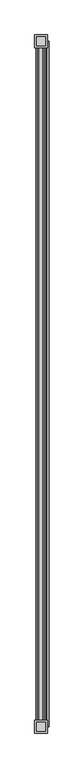
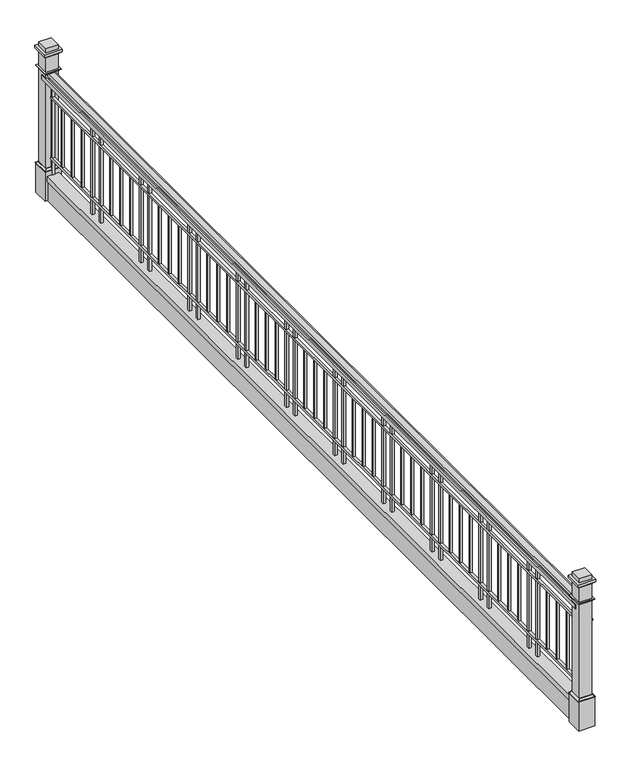
"""IFC4 building model written with IfcOpenShell, lengths in millimetres: railing geometry."""

from ifc_helpers import new_model, si_unit, point, frame, frame_2d, origin, place, context, project, spatial, polyline, circle_curve, ellipse_curve, trimmed, segment, composite_curve, outline, extrude, faceted_brep, source, transform, mapped, element, save
from ifc_brep_helpers import plane_surface, revolved_surface, advanced_brep


def railing_f6e606b4(model_context):
    return source(origin(), model_context, "Body", "SolidModel", [
        extrude(outline(composite_curve([segment(polyline([(1098.55, -18237.9356152), (1098.55, -18301.2853678)]), True, "CONTINUOUS"), segment(trimmed(circle_curve(frame_2d((1087.4058145, -18301.2853678)), 11.1441855), [point((1098.55, -18301.2853678))], [point((1076.261629, -18301.2853678))], False, "CARTESIAN"), True, "CONTINUOUS"), segment(polyline([(1076.261629, -18301.2853678), (1066.8, -18301.2853678), (1066.8, -18237.9356152), (1076.3248415, -18237.9356152)]), True, "CONTINUOUS"), segment(trimmed(circle_curve(frame_2d((1087.4374207, -18237.9356152)), 11.1125793), [point((1076.3248415, -18237.9356152))], [point((1098.55, -18237.9356152))], False, "CARTESIAN"), True, "CONTINUOUS")], self_intersect=False)), frame((0.0, -14489.4143828, 0.0), z_axis=(0.0, 1.0, 0.0), x_axis=(0.0, 0.0, 1.0)), (0.0, 0.0, 1.0), 9144.0),
        extrude(outline(polyline([(-18295.0104915, -5345.4143828), (-18282.3104915, -5345.4143828), (-18282.3104915, -14489.4143828), (-18295.0104915, -14489.4143828), (-18295.0104915, -5345.4143828)])), frame((0.0, 0.0, 1022.35), z_axis=(0.0, 0.0, 1.0), x_axis=(1.0, 0.0, 0.0)), (0.0, 0.0, 1.0), 44.45),
        extrude(outline(polyline([(-18333.1104915, -5345.4143828), (-18320.4104915, -5345.4143828), (-18320.4104915, -14489.4143828), (-18333.1104915, -14489.4143828), (-18333.1104915, -5345.4143828)])), frame((0.0, 0.0, 1022.35), z_axis=(0.0, 0.0, 1.0), x_axis=(1.0, 0.0, 0.0)), (0.0, 0.0, 1.0), 44.45),
        extrude(outline(polyline([(-18282.2353678, -5345.4143828), (-18256.8353678, -5345.4143828), (-18256.8353678, -14489.4143828), (-18282.2353678, -14489.4143828), (-18282.2353678, -5345.4143828)])), frame((0.0, 0.0, 838.2), z_axis=(0.0, 0.0, 1.0), x_axis=(1.0, 0.0, 0.0)), (0.0, 0.0, 1.0), 25.4),
        extrude(outline(composite_curve([segment(trimmed(circle_curve(frame_2d((850.9, -18172.6978678)), 12.7), [point((850.9, -18159.9978678))], [point((850.9, -18185.3978678))], False, "CARTESIAN"), True, "CONTINUOUS"), segment(trimmed(circle_curve(frame_2d((850.9, -18172.6978678)), 12.7), [point((850.9, -18185.3978678))], [point((850.9, -18159.9978678))], False, "CARTESIAN"), True, "CONTINUOUS")], self_intersect=False)), frame((0.0, -14489.4143828, 0.0), z_axis=(0.0, 1.0, 0.0), x_axis=(0.0, 0.0, 1.0)), (0.0, 0.0, 1.0), 9144.0),
        extrude(outline(polyline([(-18282.2353678, -5345.4143828), (-18256.8353678, -5345.4143828), (-18256.8353678, -14489.4143828), (-18282.2353678, -14489.4143828), (-18282.2353678, -5345.4143828)])), frame((0.0, 0.0, 203.2), z_axis=(0.0, 0.0, 1.0), x_axis=(1.0, 0.0, 0.0)), (0.0, 0.0, 1.0), 25.4),
        extrude(outline(polyline([(49.0362864, -18210.8729915), (49.0362864, -18328.3479915), (0.0, -18328.3479915), (0.0, -18315.6479915), (36.3362864, -18315.6479915), (36.3362864, -18223.5729915), (0.0, -18223.5729915), (0.0, -18210.8729915), (49.0362864, -18210.8729915)])), frame((0.0, -14489.4143828, 0.0), z_axis=(0.0, 1.0, 0.0), x_axis=(0.0, 0.0, 1.0)), (0.0, 0.0, 1.0), 9144.0),
        extrude(outline(polyline([(-18315.6479915, -5345.4143828), (-18223.5729915, -5345.4143828), (-18223.5729915, -14489.4143828), (-18315.6479915, -14489.4143828), (-18315.6479915, -5345.4143828)])), frame((0.0, 0.0, -217.6637136), z_axis=(0.0, 0.0, 1.0), x_axis=(1.0, 0.0, 0.0)), (0.0, 0.0, 1.0), 254.0),
        extrude(outline(polyline([(-18279.4572428, -14403.3667892), (-18254.0572428, -14403.3667892), (-18254.0572428, -14428.7667892), (-18279.4572428, -14428.7667892), (-18279.4572428, -14403.3667892)])), frame((0.0, 0.0, 49.0362864), z_axis=(0.0, 0.0, 1.0), x_axis=(1.0, 0.0, 0.0)), (0.0, 0.0, 1.0), 1017.7637136),
        extrude(outline(polyline([(-18276.2822428, -14235.3974042), (-18257.2322428, -14235.3974042), (-18257.2322428, -14254.4474042), (-18276.2822428, -14254.4474042), (-18276.2822428, -14235.3974042)])), frame((0.0, 0.0, 228.6), z_axis=(0.0, 0.0, 1.0), x_axis=(1.0, 0.0, 0.0)), (0.0, 0.0, 1.0), 609.6),
        extrude(outline(polyline([(-18276.2822428, -14064.2530192), (-18257.2322428, -14064.2530192), (-18257.2322428, -14083.3030192), (-18276.2822428, -14083.3030192), (-18276.2822428, -14064.2530192)])), frame((0.0, 0.0, 228.6), z_axis=(0.0, 0.0, 1.0), x_axis=(1.0, 0.0, 0.0)), (0.0, 0.0, 1.0), 609.6),
        extrude(outline(polyline([(-18276.2822428, -13893.1086342), (-18257.2322428, -13893.1086342), (-18257.2322428, -13912.1586342), (-18276.2822428, -13912.1586342), (-18276.2822428, -13893.1086342)])), frame((0.0, 0.0, 228.6), z_axis=(0.0, 0.0, 1.0), x_axis=(1.0, 0.0, 0.0)), (0.0, 0.0, 1.0), 609.6),
        extrude(outline(polyline([(-18279.4572428, -13718.7892491), (-18254.0572428, -13718.7892491), (-18254.0572428, -13744.1892491), (-18279.4572428, -13744.1892491), (-18279.4572428, -13718.7892491)])), frame((0.0, 0.0, 49.0362864), z_axis=(0.0, 0.0, 1.0), x_axis=(1.0, 0.0, 0.0)), (0.0, 0.0, 1.0), 1017.7637136),
        extrude(outline(polyline([(-18279.4572428, -13572.094062), (-18254.0572428, -13572.094062), (-18254.0572428, -13597.494062), (-18279.4572428, -13597.494062), (-18279.4572428, -13572.094062)])), frame((0.0, 0.0, 49.0362864), z_axis=(0.0, 0.0, 1.0), x_axis=(1.0, 0.0, 0.0)), (0.0, 0.0, 1.0), 1017.7637136),
        extrude(outline(polyline([(-18276.2822428, -13404.1246769), (-18257.2322428, -13404.1246769), (-18257.2322428, -13423.1746769), (-18276.2822428, -13423.1746769), (-18276.2822428, -13404.1246769)])), frame((0.0, 0.0, 228.6), z_axis=(0.0, 0.0, 1.0), x_axis=(1.0, 0.0, 0.0)), (0.0, 0.0, 1.0), 609.6),
        extrude(outline(polyline([(-18276.2822428, -13232.9802919), (-18257.2322428, -13232.9802919), (-18257.2322428, -13252.0302919), (-18276.2822428, -13252.0302919), (-18276.2822428, -13232.9802919)])), frame((0.0, 0.0, 228.6), z_axis=(0.0, 0.0, 1.0), x_axis=(1.0, 0.0, 0.0)), (0.0, 0.0, 1.0), 609.6),
        extrude(outline(polyline([(-18276.2822428, -13061.8359069), (-18257.2322428, -13061.8359069), (-18257.2322428, -13080.8859069), (-18276.2822428, -13080.8859069), (-18276.2822428, -13061.8359069)])), frame((0.0, 0.0, 228.6), z_axis=(0.0, 0.0, 1.0), x_axis=(1.0, 0.0, 0.0)), (0.0, 0.0, 1.0), 609.6),
        extrude(outline(polyline([(-18279.4572428, -12887.5165219), (-18254.0572428, -12887.5165219), (-18254.0572428, -12912.9165219), (-18279.4572428, -12912.9165219), (-18279.4572428, -12887.5165219)])), frame((0.0, 0.0, 49.0362864), z_axis=(0.0, 0.0, 1.0), x_axis=(1.0, 0.0, 0.0)), (0.0, 0.0, 1.0), 1017.7637136),
        extrude(outline(polyline([(-18279.4572428, -12740.8213347), (-18254.0572428, -12740.8213347), (-18254.0572428, -12766.2213347), (-18279.4572428, -12766.2213347), (-18279.4572428, -12740.8213347)])), frame((0.0, 0.0, 49.0362864), z_axis=(0.0, 0.0, 1.0), x_axis=(1.0, 0.0, 0.0)), (0.0, 0.0, 1.0), 1017.7637136),
        extrude(outline(polyline([(-18276.2822428, -12572.8519497), (-18257.2322428, -12572.8519497), (-18257.2322428, -12591.9019497), (-18276.2822428, -12591.9019497), (-18276.2822428, -12572.8519497)])), frame((0.0, 0.0, 228.6), z_axis=(0.0, 0.0, 1.0), x_axis=(1.0, 0.0, 0.0)), (0.0, 0.0, 1.0), 609.6),
        extrude(outline(polyline([(-18276.2822428, -12401.7075646), (-18257.2322428, -12401.7075646), (-18257.2322428, -12420.7575646), (-18276.2822428, -12420.7575646), (-18276.2822428, -12401.7075646)])), frame((0.0, 0.0, 228.6), z_axis=(0.0, 0.0, 1.0), x_axis=(1.0, 0.0, 0.0)), (0.0, 0.0, 1.0), 609.6),
        extrude(outline(polyline([(-18276.2822428, -12230.5631796), (-18257.2322428, -12230.5631796), (-18257.2322428, -12249.6131796), (-18276.2822428, -12249.6131796), (-18276.2822428, -12230.5631796)])), frame((0.0, 0.0, 228.6), z_axis=(0.0, 0.0, 1.0), x_axis=(1.0, 0.0, 0.0)), (0.0, 0.0, 1.0), 609.6),
        extrude(outline(polyline([(-18279.4572428, -12056.2437946), (-18254.0572428, -12056.2437946), (-18254.0572428, -12081.6437946), (-18279.4572428, -12081.6437946), (-18279.4572428, -12056.2437946)])), frame((0.0, 0.0, 49.0362864), z_axis=(0.0, 0.0, 1.0), x_axis=(1.0, 0.0, 0.0)), (0.0, 0.0, 1.0), 1017.7637136),
        extrude(outline(polyline([(-18279.4572428, -11909.5486074), (-18254.0572428, -11909.5486074), (-18254.0572428, -11934.9486074), (-18279.4572428, -11934.9486074), (-18279.4572428, -11909.5486074)])), frame((0.0, 0.0, 49.0362864), z_axis=(0.0, 0.0, 1.0), x_axis=(1.0, 0.0, 0.0)), (0.0, 0.0, 1.0), 1017.7637136),
        extrude(outline(polyline([(-18276.2822428, -11741.5792224), (-18257.2322428, -11741.5792224), (-18257.2322428, -11760.6292224), (-18276.2822428, -11760.6292224), (-18276.2822428, -11741.5792224)])), frame((0.0, 0.0, 228.6), z_axis=(0.0, 0.0, 1.0), x_axis=(1.0, 0.0, 0.0)), (0.0, 0.0, 1.0), 609.6),
        extrude(outline(polyline([(-18276.2822428, -11570.4348374), (-18257.2322428, -11570.4348374), (-18257.2322428, -11589.4848374), (-18276.2822428, -11589.4848374), (-18276.2822428, -11570.4348374)])), frame((0.0, 0.0, 228.6), z_axis=(0.0, 0.0, 1.0), x_axis=(1.0, 0.0, 0.0)), (0.0, 0.0, 1.0), 609.6),
        extrude(outline(polyline([(-18276.2822428, -11399.2904523), (-18257.2322428, -11399.2904523), (-18257.2322428, -11418.3404523), (-18276.2822428, -11418.3404523), (-18276.2822428, -11399.2904523)])), frame((0.0, 0.0, 228.6), z_axis=(0.0, 0.0, 1.0), x_axis=(1.0, 0.0, 0.0)), (0.0, 0.0, 1.0), 609.6),
        extrude(outline(polyline([(-18279.4572428, -11224.9710673), (-18254.0572428, -11224.9710673), (-18254.0572428, -11250.3710673), (-18279.4572428, -11250.3710673), (-18279.4572428, -11224.9710673)])), frame((0.0, 0.0, 49.0362864), z_axis=(0.0, 0.0, 1.0), x_axis=(1.0, 0.0, 0.0)), (0.0, 0.0, 1.0), 1017.7637136),
        extrude(outline(polyline([(-18279.4572428, -11078.2758801), (-18254.0572428, -11078.2758801), (-18254.0572428, -11103.6758801), (-18279.4572428, -11103.6758801), (-18279.4572428, -11078.2758801)])), frame((0.0, 0.0, 49.0362864), z_axis=(0.0, 0.0, 1.0), x_axis=(1.0, 0.0, 0.0)), (0.0, 0.0, 1.0), 1017.7637136),
        extrude(outline(polyline([(-18276.2822428, -10910.3064951), (-18257.2322428, -10910.3064951), (-18257.2322428, -10929.3564951), (-18276.2822428, -10929.3564951), (-18276.2822428, -10910.3064951)])), frame((0.0, 0.0, 228.6), z_axis=(0.0, 0.0, 1.0), x_axis=(1.0, 0.0, 0.0)), (0.0, 0.0, 1.0), 609.6),
        extrude(outline(polyline([(-18276.2822428, -10739.1621101), (-18257.2322428, -10739.1621101), (-18257.2322428, -10758.2121101), (-18276.2822428, -10758.2121101), (-18276.2822428, -10739.1621101)])), frame((0.0, 0.0, 228.6), z_axis=(0.0, 0.0, 1.0), x_axis=(1.0, 0.0, 0.0)), (0.0, 0.0, 1.0), 609.6),
        extrude(outline(polyline([(-18276.2822428, -10568.0177251), (-18257.2322428, -10568.0177251), (-18257.2322428, -10587.0677251), (-18276.2822428, -10587.0677251), (-18276.2822428, -10568.0177251)])), frame((0.0, 0.0, 228.6), z_axis=(0.0, 0.0, 1.0), x_axis=(1.0, 0.0, 0.0)), (0.0, 0.0, 1.0), 609.6),
        extrude(outline(polyline([(-18279.4572428, -10393.69834), (-18254.0572428, -10393.69834), (-18254.0572428, -10419.09834), (-18279.4572428, -10419.09834), (-18279.4572428, -10393.69834)])), frame((0.0, 0.0, 49.0362864), z_axis=(0.0, 0.0, 1.0), x_axis=(1.0, 0.0, 0.0)), (0.0, 0.0, 1.0), 1017.7637136),
        extrude(outline(polyline([(-18279.4572428, -10247.0031529), (-18254.0572428, -10247.0031529), (-18254.0572428, -10272.4031529), (-18279.4572428, -10272.4031529), (-18279.4572428, -10247.0031529)])), frame((0.0, 0.0, 49.0362864), z_axis=(0.0, 0.0, 1.0), x_axis=(1.0, 0.0, 0.0)), (0.0, 0.0, 1.0), 1017.7637136),
        extrude(outline(polyline([(-18276.2822428, -10079.0337678), (-18257.2322428, -10079.0337678), (-18257.2322428, -10098.0837678), (-18276.2822428, -10098.0837678), (-18276.2822428, -10079.0337678)])), frame((0.0, 0.0, 228.6), z_axis=(0.0, 0.0, 1.0), x_axis=(1.0, 0.0, 0.0)), (0.0, 0.0, 1.0), 609.6),
        extrude(outline(polyline([(-18276.2822428, -9907.8893828), (-18257.2322428, -9907.8893828), (-18257.2322428, -9926.9393828), (-18276.2822428, -9926.9393828), (-18276.2822428, -9907.8893828)])), frame((0.0, 0.0, 228.6), z_axis=(0.0, 0.0, 1.0), x_axis=(1.0, 0.0, 0.0)), (0.0, 0.0, 1.0), 609.6),
        extrude(outline(polyline([(-18276.2822428, -9736.7449978), (-18257.2322428, -9736.7449978), (-18257.2322428, -9755.7949978), (-18276.2822428, -9755.7949978), (-18276.2822428, -9736.7449978)])), frame((0.0, 0.0, 228.6), z_axis=(0.0, 0.0, 1.0), x_axis=(1.0, 0.0, 0.0)), (0.0, 0.0, 1.0), 609.6),
        extrude(outline(polyline([(-18279.4572428, -9562.4256128), (-18254.0572428, -9562.4256128), (-18254.0572428, -9587.8256128), (-18279.4572428, -9587.8256128), (-18279.4572428, -9562.4256128)])), frame((0.0, 0.0, 49.0362864), z_axis=(0.0, 0.0, 1.0), x_axis=(1.0, 0.0, 0.0)), (0.0, 0.0, 1.0), 1017.7637136),
        extrude(outline(polyline([(-18279.4572428, -9415.7304256), (-18254.0572428, -9415.7304256), (-18254.0572428, -9441.1304256), (-18279.4572428, -9441.1304256), (-18279.4572428, -9415.7304256)])), frame((0.0, 0.0, 49.0362864), z_axis=(0.0, 0.0, 1.0), x_axis=(1.0, 0.0, 0.0)), (0.0, 0.0, 1.0), 1017.7637136),
        extrude(outline(polyline([(-18276.2822428, -9247.7610406), (-18257.2322428, -9247.7610406), (-18257.2322428, -9266.8110406), (-18276.2822428, -9266.8110406), (-18276.2822428, -9247.7610406)])), frame((0.0, 0.0, 228.6), z_axis=(0.0, 0.0, 1.0), x_axis=(1.0, 0.0, 0.0)), (0.0, 0.0, 1.0), 609.6),
        extrude(outline(polyline([(-18276.2822428, -9076.6166556), (-18257.2322428, -9076.6166556), (-18257.2322428, -9095.6666556), (-18276.2822428, -9095.6666556), (-18276.2822428, -9076.6166556)])), frame((0.0, 0.0, 228.6), z_axis=(0.0, 0.0, 1.0), x_axis=(1.0, 0.0, 0.0)), (0.0, 0.0, 1.0), 609.6),
        extrude(outline(polyline([(-18276.2822428, -8905.4722705), (-18257.2322428, -8905.4722705), (-18257.2322428, -8924.5222705), (-18276.2822428, -8924.5222705), (-18276.2822428, -8905.4722705)])), frame((0.0, 0.0, 228.6), z_axis=(0.0, 0.0, 1.0), x_axis=(1.0, 0.0, 0.0)), (0.0, 0.0, 1.0), 609.6),
        extrude(outline(polyline([(-18279.4572428, -8731.1528855), (-18254.0572428, -8731.1528855), (-18254.0572428, -8756.5528855), (-18279.4572428, -8756.5528855), (-18279.4572428, -8731.1528855)])), frame((0.0, 0.0, 49.0362864), z_axis=(0.0, 0.0, 1.0), x_axis=(1.0, 0.0, 0.0)), (0.0, 0.0, 1.0), 1017.7637136),
        extrude(outline(polyline([(-18279.4572428, -8584.4576983), (-18254.0572428, -8584.4576983), (-18254.0572428, -8609.8576983), (-18279.4572428, -8609.8576983), (-18279.4572428, -8584.4576983)])), frame((0.0, 0.0, 49.0362864), z_axis=(0.0, 0.0, 1.0), x_axis=(1.0, 0.0, 0.0)), (0.0, 0.0, 1.0), 1017.7637136),
        extrude(outline(polyline([(-18276.2822428, -8416.4883133), (-18257.2322428, -8416.4883133), (-18257.2322428, -8435.5383133), (-18276.2822428, -8435.5383133), (-18276.2822428, -8416.4883133)])), frame((0.0, 0.0, 228.6), z_axis=(0.0, 0.0, 1.0), x_axis=(1.0, 0.0, 0.0)), (0.0, 0.0, 1.0), 609.6),
        extrude(outline(polyline([(-18276.2822428, -8245.3439283), (-18257.2322428, -8245.3439283), (-18257.2322428, -8264.3939283), (-18276.2822428, -8264.3939283), (-18276.2822428, -8245.3439283)])), frame((0.0, 0.0, 228.6), z_axis=(0.0, 0.0, 1.0), x_axis=(1.0, 0.0, 0.0)), (0.0, 0.0, 1.0), 609.6),
        extrude(outline(polyline([(-18276.2822428, -8074.1995433), (-18257.2322428, -8074.1995433), (-18257.2322428, -8093.2495433), (-18276.2822428, -8093.2495433), (-18276.2822428, -8074.1995433)])), frame((0.0, 0.0, 228.6), z_axis=(0.0, 0.0, 1.0), x_axis=(1.0, 0.0, 0.0)), (0.0, 0.0, 1.0), 609.6),
        extrude(outline(polyline([(-18279.4572428, -7899.8801582), (-18254.0572428, -7899.8801582), (-18254.0572428, -7925.2801582), (-18279.4572428, -7925.2801582), (-18279.4572428, -7899.8801582)])), frame((0.0, 0.0, 49.0362864), z_axis=(0.0, 0.0, 1.0), x_axis=(1.0, 0.0, 0.0)), (0.0, 0.0, 1.0), 1017.7637136),
        extrude(outline(polyline([(-18279.4572428, -7753.1849711), (-18254.0572428, -7753.1849711), (-18254.0572428, -7778.5849711), (-18279.4572428, -7778.5849711), (-18279.4572428, -7753.1849711)])), frame((0.0, 0.0, 49.0362864), z_axis=(0.0, 0.0, 1.0), x_axis=(1.0, 0.0, 0.0)), (0.0, 0.0, 1.0), 1017.7637136),
        extrude(outline(polyline([(-18276.2822428, -7585.215586), (-18257.2322428, -7585.215586), (-18257.2322428, -7604.265586), (-18276.2822428, -7604.265586), (-18276.2822428, -7585.215586)])), frame((0.0, 0.0, 228.6), z_axis=(0.0, 0.0, 1.0), x_axis=(1.0, 0.0, 0.0)), (0.0, 0.0, 1.0), 609.6),
        extrude(outline(polyline([(-18276.2822428, -7414.071201), (-18257.2322428, -7414.071201), (-18257.2322428, -7433.121201), (-18276.2822428, -7433.121201), (-18276.2822428, -7414.071201)])), frame((0.0, 0.0, 228.6), z_axis=(0.0, 0.0, 1.0), x_axis=(1.0, 0.0, 0.0)), (0.0, 0.0, 1.0), 609.6),
        extrude(outline(polyline([(-18276.2822428, -7242.926816), (-18257.2322428, -7242.926816), (-18257.2322428, -7261.976816), (-18276.2822428, -7261.976816), (-18276.2822428, -7242.926816)])), frame((0.0, 0.0, 228.6), z_axis=(0.0, 0.0, 1.0), x_axis=(1.0, 0.0, 0.0)), (0.0, 0.0, 1.0), 609.6),
        extrude(outline(polyline([(-18279.4572428, -7068.607431), (-18254.0572428, -7068.607431), (-18254.0572428, -7094.007431), (-18279.4572428, -7094.007431), (-18279.4572428, -7068.607431)])), frame((0.0, 0.0, 49.0362864), z_axis=(0.0, 0.0, 1.0), x_axis=(1.0, 0.0, 0.0)), (0.0, 0.0, 1.0), 1017.7637136),
        extrude(outline(polyline([(-18279.4572428, -6921.9122438), (-18254.0572428, -6921.9122438), (-18254.0572428, -6947.3122438), (-18279.4572428, -6947.3122438), (-18279.4572428, -6921.9122438)])), frame((0.0, 0.0, 49.0362864), z_axis=(0.0, 0.0, 1.0), x_axis=(1.0, 0.0, 0.0)), (0.0, 0.0, 1.0), 1017.7637136),
        extrude(outline(polyline([(-18276.2822428, -6753.9428588), (-18257.2322428, -6753.9428588), (-18257.2322428, -6772.9928588), (-18276.2822428, -6772.9928588), (-18276.2822428, -6753.9428588)])), frame((0.0, 0.0, 228.6), z_axis=(0.0, 0.0, 1.0), x_axis=(1.0, 0.0, 0.0)), (0.0, 0.0, 1.0), 609.6),
        extrude(outline(polyline([(-18276.2822428, -6582.7984737), (-18257.2322428, -6582.7984737), (-18257.2322428, -6601.8484737), (-18276.2822428, -6601.8484737), (-18276.2822428, -6582.7984737)])), frame((0.0, 0.0, 228.6), z_axis=(0.0, 0.0, 1.0), x_axis=(1.0, 0.0, 0.0)), (0.0, 0.0, 1.0), 609.6),
        extrude(outline(polyline([(-18276.2822428, -6411.6540887), (-18257.2322428, -6411.6540887), (-18257.2322428, -6430.7040887), (-18276.2822428, -6430.7040887), (-18276.2822428, -6411.6540887)])), frame((0.0, 0.0, 228.6), z_axis=(0.0, 0.0, 1.0), x_axis=(1.0, 0.0, 0.0)), (0.0, 0.0, 1.0), 609.6),
        extrude(outline(polyline([(-18279.4572428, -6237.3347037), (-18254.0572428, -6237.3347037), (-18254.0572428, -6262.7347037), (-18279.4572428, -6262.7347037), (-18279.4572428, -6237.3347037)])), frame((0.0, 0.0, 49.0362864), z_axis=(0.0, 0.0, 1.0), x_axis=(1.0, 0.0, 0.0)), (0.0, 0.0, 1.0), 1017.7637136),
        extrude(outline(polyline([(-18279.4572428, -6090.6395165), (-18254.0572428, -6090.6395165), (-18254.0572428, -6116.0395165), (-18279.4572428, -6116.0395165), (-18279.4572428, -6090.6395165)])), frame((0.0, 0.0, 49.0362864), z_axis=(0.0, 0.0, 1.0), x_axis=(1.0, 0.0, 0.0)), (0.0, 0.0, 1.0), 1017.7637136),
        extrude(outline(polyline([(-18276.2822428, -5922.6701315), (-18257.2322428, -5922.6701315), (-18257.2322428, -5941.7201315), (-18276.2822428, -5941.7201315), (-18276.2822428, -5922.6701315)])), frame((0.0, 0.0, 228.6), z_axis=(0.0, 0.0, 1.0), x_axis=(1.0, 0.0, 0.0)), (0.0, 0.0, 1.0), 609.6),
        extrude(outline(polyline([(-18276.2822428, -5751.5257465), (-18257.2322428, -5751.5257465), (-18257.2322428, -5770.5757465), (-18276.2822428, -5770.5757465), (-18276.2822428, -5751.5257465)])), frame((0.0, 0.0, 228.6), z_axis=(0.0, 0.0, 1.0), x_axis=(1.0, 0.0, 0.0)), (0.0, 0.0, 1.0), 609.6),
        extrude(outline(polyline([(-18276.2822428, -5580.3813614), (-18257.2322428, -5580.3813614), (-18257.2322428, -5599.4313614), (-18276.2822428, -5599.4313614), (-18276.2822428, -5580.3813614)])), frame((0.0, 0.0, 228.6), z_axis=(0.0, 0.0, 1.0), x_axis=(1.0, 0.0, 0.0)), (0.0, 0.0, 1.0), 609.6),
        extrude(outline(polyline([(-18279.4572428, -5406.0619764), (-18254.0572428, -5406.0619764), (-18254.0572428, -5431.4619764), (-18279.4572428, -5431.4619764), (-18279.4572428, -5406.0619764)])), frame((0.0, 0.0, 49.0362864), z_axis=(0.0, 0.0, 1.0), x_axis=(1.0, 0.0, 0.0)), (0.0, 0.0, 1.0), 1017.7637136),
        extrude(outline(polyline([(-18187.3822428, -14410.0393828), (-18187.3822428, -14568.7893828), (-18346.1322428, -14568.7893828), (-18346.1322428, -14410.0393828), (-18187.3822428, -14410.0393828)])), frame((0.0, 0.0, -203.2), z_axis=(0.0, 0.0, 1.0), x_axis=(1.0, 0.0, 0.0)), (0.0, 0.0, 1.0), 304.8),
        extrude(outline(polyline([(-18206.4322428, -14429.0893828), (-18206.4322428, -14549.7393828), (-18327.0822428, -14549.7393828), (-18327.0822428, -14429.0893828), (-18206.4322428, -14429.0893828)])), frame((0.0, 0.0, 101.6), z_axis=(0.0, 0.0, 1.0), x_axis=(1.0, 0.0, 0.0)), (0.0, 0.0, 1.0), 1270.0),
        extrude(outline(polyline([(-18352.4822428, -14403.6893828), (-18181.0322428, -14403.6893828), (-18181.0322428, -14575.1393828), (-18352.4822428, -14575.1393828), (-18352.4822428, -14403.6893828)]), holes=[polyline([(-18327.0822428, -14549.7393828), (-18206.4322428, -14549.7393828), (-18206.4322428, -14429.0893828), (-18327.0822428, -14429.0893828), (-18327.0822428, -14549.7393828)])]), frame((0.0, 0.0, 1304.925), z_axis=(0.0, 0.0, 1.0), x_axis=(1.0, 0.0, 0.0)), (0.0, 0.0, 1.0), 25.4),
        advanced_brep(
        [(-18327.0822428, -14429.0893828, 101.6), (-18327.0822428, -14429.0893828, 123.825), (-18327.0822428, -14549.7393828, 123.825), (-18327.0822428, -14549.7393828, 101.6), (-18349.3072428, -14406.8643828, 107.95), (-18349.3072428, -14406.8643828, 101.6), (-18349.3072428, -14571.9643828, 101.6), (-18349.3072428, -14571.9643828, 107.95), (-18333.4322428, -14422.7393828, 123.825), (-18333.4322428, -14556.0893828, 123.825), (-18206.4322428, -14549.7393828, 123.825), (-18206.4322428, -14549.7393828, 101.6), (-18184.2072428, -14571.9643828, 101.6), (-18184.2072428, -14571.9643828, 107.95), (-18200.0822428, -14556.0893828, 123.825), (-18206.4322428, -14429.0893828, 123.825), (-18206.4322428, -14429.0893828, 101.6), (-18184.2072428, -14406.8643828, 101.6), (-18184.2072428, -14406.8643828, 107.95), (-18200.0822428, -14422.7393828, 123.825)],
        [
            (0, 1),
            (1, 2),
            (2, 3),
            (3, 0),
            (4, 5),
            (5, 6),
            (6, 7),
            (7, 4),
            (8, 4, ellipse_curve(frame((-18349.3072428, -14406.8643828, 123.825), z_axis=(0.7071067811865475, 0.7071067811865475, 0.0), x_axis=(0.7071067811865474, -0.7071067811865476, 0.0)), 22.4506403, 15.875)),
            (7, 9, ellipse_curve(frame((-18349.3072428, -14571.9643828, 123.825), z_axis=(0.7071067811865475, -0.7071067811865475, 0.0), x_axis=(-0.7071067811865474, -0.7071067811865476, 0.0)), 22.4506403, 15.875)),
            (9, 8),
            (2, 10),
            (10, 11),
            (11, 3),
            (6, 12),
            (12, 13),
            (13, 7),
            (13, 14, ellipse_curve(frame((-18184.2072428, -14571.9643828, 123.825), z_axis=(0.7071067811865475, 0.7071067811865475, 0.0), x_axis=(0.7071067811865476, -0.7071067811865474, 0.0)), 22.4506403, 15.875)),
            (14, 9),
            (10, 15),
            (15, 16),
            (16, 11),
            (12, 17),
            (17, 18),
            (18, 13),
            (18, 19, ellipse_curve(frame((-18184.2072428, -14406.8643828, 123.825), z_axis=(-0.7071067811865475, 0.7071067811865475, 0.0), x_axis=(0.7071067811865474, 0.7071067811865476, 0.0)), 22.4506403, 15.875)),
            (19, 14),
            (15, 1),
            (0, 16),
            (5, 17),
            (4, 18),
            (8, 19),
        ],
        [
            plane_surface(frame((-18327.0822428, -14429.0893828, 123.825), z_axis=(1.0, 0.0, 0.0), x_axis=(0.0, -1.0, 0.0))),
            plane_surface(frame((-18349.3072428, -14406.8643828, 101.6), z_axis=(-1.0, 0.0, 0.0), x_axis=(0.0, -1.0, 0.0))),
            revolved_surface(polyline([(-18333.4322428, -14587.83938279811, 123.825), (-18333.4322428, -14390.98938280189, 123.825)]), (-18349.3072428, -14429.0893828, 123.825), (0.0, -1.0, 0.0)),
            plane_surface(frame((-18327.0822428, -14549.7393828, 123.825), z_axis=(0.0, 1.0, 0.0), x_axis=(1.0, 0.0, 0.0))),
            plane_surface(frame((-18349.3072428, -14571.9643828, 101.6), z_axis=(0.0, -1.0, 0.0), x_axis=(1.0, 0.0, 0.0))),
            revolved_surface(polyline([(-18168.33224280189, -14556.0893828, 123.825), (-18365.18224279811, -14556.0893828, 123.825)]), (-18327.0822428, -14571.9643828, 123.825), (1.0, 0.0, 0.0)),
            plane_surface(frame((-18206.4322428, -14549.7393828, 123.825), z_axis=(-1.0, 0.0, 0.0), x_axis=(0.0, 1.0, 0.0))),
            plane_surface(frame((-18184.2072428, -14571.9643828, 101.6), z_axis=(1.0, 0.0, 0.0), x_axis=(0.0, 1.0, 0.0))),
            revolved_surface(polyline([(-18200.0822428, -14390.98938280189, 123.825), (-18200.0822428, -14587.83938279811, 123.825)]), (-18184.2072428, -14549.7393828, 123.825), (0.0, 1.0, 0.0)),
            plane_surface(frame((-18206.4322428, -14429.0893828, 123.825), z_axis=(0.0, -1.0, 0.0), x_axis=(-1.0, 0.0, 0.0))),
            plane_surface(frame((-18206.4322428, -14429.0893828, 101.6), z_axis=(0.0, 0.0, -1.0), x_axis=(-1.0, 0.0, 0.0))),
            plane_surface(frame((-18184.2072428, -14406.8643828, 101.6), z_axis=(0.0, 1.0, 0.0), x_axis=(-1.0, 0.0, 0.0))),
            revolved_surface(polyline([(-18365.18224279811, -14422.7393828, 123.825), (-18168.33224280189, -14422.7393828, 123.825)]), (-18206.4322428, -14406.8643828, 123.825), (-1.0, 0.0, 0.0)),
            plane_surface(frame((-18200.0822428, -14422.7393828, 123.825), z_axis=(0.0, 0.0, 1.0), x_axis=(-1.0, 0.0, 0.0))),
        ],
        [
            (0, [[1, 2, 3, 4]]),
            (1, [[5, 6, 7, 8]]),
            (2, [[9, -8, 10, 11]]),
            (3, [[-3, 12, 13, 14]]),
            (4, [[-7, 15, 16, 17]]),
            (5, [[-10, -17, 18, 19]]),
            (6, [[-13, 20, 21, 22]]),
            (7, [[-16, 23, 24, 25]]),
            (8, [[-18, -25, 26, 27]]),
            (9, [[-21, 28, -1, 29]]),
            (10, [[30, -23, -15, -6], [-14, -22, -29, -4]]),
            (11, [[-24, -30, -5, 31]]),
            (12, [[-26, -31, -9, 32]]),
            (13, [[-19, -27, -32, -11], [-28, -20, -12, -2]]),
        ],
    ),
        advanced_brep(
        [(-18327.0822428, -14429.0893828, 1108.075), (-18327.0822428, -14429.0893828, 1127.125), (-18327.0822428, -14549.7393828, 1127.125), (-18327.0822428, -14549.7393828, 1108.075), (-18346.1322428, -14410.0393828, 1120.775), (-18333.4322428, -14422.7393828, 1108.075), (-18333.4322428, -14556.0893828, 1108.075), (-18346.1322428, -14568.7893828, 1120.775), (-18346.1322428, -14410.0393828, 1127.125), (-18346.1322428, -14568.7893828, 1127.125), (-18206.4322428, -14549.7393828, 1127.125), (-18206.4322428, -14549.7393828, 1108.075), (-18200.0822428, -14556.0893828, 1108.075), (-18187.3822428, -14568.7893828, 1120.775), (-18187.3822428, -14568.7893828, 1127.125), (-18206.4322428, -14429.0893828, 1127.125), (-18206.4322428, -14429.0893828, 1108.075), (-18200.0822428, -14422.7393828, 1108.075), (-18187.3822428, -14410.0393828, 1120.775), (-18187.3822428, -14410.0393828, 1127.125)],
        [
            (0, 1),
            (1, 2),
            (2, 3),
            (3, 0),
            (4, 5, ellipse_curve(frame((-18346.1322428, -14410.0393828, 1108.075), z_axis=(0.7071067811865475, 0.7071067811865475, 0.0), x_axis=(0.7071067811865474, -0.7071067811865476, 0.0)), 17.9605122, 12.7)),
            (5, 6),
            (6, 7, ellipse_curve(frame((-18346.1322428, -14568.7893828, 1108.075), z_axis=(0.7071067811865475, -0.7071067811865475, 0.0), x_axis=(-0.7071067811865474, -0.7071067811865476, 0.0)), 17.9605122, 12.7)),
            (7, 4),
            (8, 4),
            (7, 9),
            (9, 8),
            (2, 10),
            (10, 11),
            (11, 3),
            (6, 12),
            (12, 13, ellipse_curve(frame((-18187.3822428, -14568.7893828, 1108.075), z_axis=(0.7071067811865475, 0.7071067811865475, 0.0), x_axis=(0.7071067811865476, -0.7071067811865474, 0.0)), 17.9605122, 12.7)),
            (13, 7),
            (13, 14),
            (14, 9),
            (10, 15),
            (15, 16),
            (16, 11),
            (12, 17),
            (17, 18, ellipse_curve(frame((-18187.3822428, -14410.0393828, 1108.075), z_axis=(-0.7071067811865475, 0.7071067811865475, 0.0), x_axis=(0.7071067811865474, 0.7071067811865476, 0.0)), 17.9605122, 12.7)),
            (18, 13),
            (18, 19),
            (19, 14),
            (19, 8),
            (1, 15),
            (0, 16),
            (5, 17),
            (4, 18),
        ],
        [
            plane_surface(frame((-18327.0822428, -14429.0893828, 1127.125), z_axis=(1.0, 0.0, 0.0), x_axis=(0.0, -1.0, 0.0))),
            revolved_surface(polyline([(-18333.432242799998, -14581.489382770204, 1108.075), (-18333.432242799998, -14397.339382829796, 1108.075)]), (-18346.1322428, -14429.0893828, 1108.075), (0.0, -1.0, 0.0)),
            plane_surface(frame((-18346.1322428, -14410.0393828, 1120.775), z_axis=(-1.0, 0.0, 0.0), x_axis=(0.0, -1.0, 0.0))),
            plane_surface(frame((-18327.0822428, -14549.7393828, 1127.125), z_axis=(0.0, 1.0, 0.0), x_axis=(1.0, 0.0, 0.0))),
            revolved_surface(polyline([(-18174.682242829796, -14556.089382799999, 1108.075), (-18358.8322427702, -14556.089382799999, 1108.075)]), (-18327.0822428, -14568.7893828, 1108.075), (1.0, 0.0, 0.0)),
            plane_surface(frame((-18346.1322428, -14568.7893828, 1120.775), z_axis=(0.0, -1.0, 0.0), x_axis=(1.0, 0.0, 0.0))),
            plane_surface(frame((-18206.4322428, -14549.7393828, 1127.125), z_axis=(-1.0, 0.0, 0.0), x_axis=(0.0, 1.0, 0.0))),
            revolved_surface(polyline([(-18200.0822428, -14397.339382829796, 1108.075), (-18200.0822428, -14581.489382770204, 1108.075)]), (-18187.3822428, -14549.7393828, 1108.075), (0.0, 1.0, 0.0)),
            plane_surface(frame((-18187.3822428, -14568.7893828, 1120.775), z_axis=(1.0, 0.0, 0.0), x_axis=(0.0, 1.0, 0.0))),
            plane_surface(frame((-18187.3822428, -14410.0393828, 1127.125), z_axis=(0.0, 0.0, 1.0), x_axis=(-1.0, 0.0, 0.0))),
            plane_surface(frame((-18206.4322428, -14429.0893828, 1127.125), z_axis=(0.0, -1.0, 0.0), x_axis=(-1.0, 0.0, 0.0))),
            plane_surface(frame((-18206.4322428, -14429.0893828, 1108.075), z_axis=(0.0, 0.0, -1.0), x_axis=(-1.0, 0.0, 0.0))),
            revolved_surface(polyline([(-18358.8322427702, -14422.7393828, 1108.075), (-18174.682242829796, -14422.7393828, 1108.075)]), (-18206.4322428, -14410.0393828, 1108.075), (-1.0, 0.0, 0.0)),
            plane_surface(frame((-18187.3822428, -14410.0393828, 1120.775), z_axis=(0.0, 1.0, 0.0), x_axis=(-1.0, 0.0, 0.0))),
        ],
        [
            (0, [[1, 2, 3, 4]]),
            (1, [[5, 6, 7, 8]]),
            (2, [[9, -8, 10, 11]]),
            (3, [[-3, 12, 13, 14]]),
            (4, [[-7, 15, 16, 17]]),
            (5, [[-10, -17, 18, 19]]),
            (6, [[-13, 20, 21, 22]]),
            (7, [[-16, 23, 24, 25]]),
            (8, [[-18, -25, 26, 27]]),
            (9, [[-19, -27, 28, -11], [29, -20, -12, -2]]),
            (10, [[-21, -29, -1, 30]]),
            (11, [[31, -23, -15, -6], [-14, -22, -30, -4]]),
            (12, [[-24, -31, -5, 32]]),
            (13, [[-26, -32, -9, -28]]),
        ],
    ),
        faceted_brep([(-18327.0822428, -14429.0893828, 1285.875), (-18327.0822428, -14429.0893828, 1304.925), (-18327.0822428, -14549.7393828, 1304.925), (-18327.0822428, -14549.7393828, 1285.875), (-18333.4322428, -14422.7393828, 1298.575), (-18333.4322428, -14422.7393828, 1285.875), (-18333.4322428, -14556.0893828, 1285.875), (-18333.4322428, -14556.0893828, 1298.575), (-18346.1322428, -14410.0393828, 1304.925), (-18346.1322428, -14410.0393828, 1298.575), (-18346.1322428, -14568.7893828, 1298.575), (-18346.1322428, -14568.7893828, 1304.925), (-18206.4322428, -14549.7393828, 1304.925), (-18206.4322428, -14549.7393828, 1285.875), (-18200.0822428, -14556.0893828, 1285.875), (-18200.0822428, -14556.0893828, 1298.575), (-18187.3822428, -14568.7893828, 1298.575), (-18187.3822428, -14568.7893828, 1304.925), (-18206.4322428, -14429.0893828, 1304.925), (-18206.4322428, -14429.0893828, 1285.875), (-18200.0822428, -14422.7393828, 1285.875), (-18200.0822428, -14422.7393828, 1298.575), (-18187.3822428, -14410.0393828, 1298.575), (-18187.3822428, -14410.0393828, 1304.925)], [[[0, 1, 2, 3]], [[4, 5, 6, 7]], [[8, 9, 10, 11]], [[3, 2, 12, 13]], [[7, 6, 14, 15]], [[11, 10, 16, 17]], [[13, 12, 18, 19]], [[15, 14, 20, 21]], [[17, 16, 22, 23]], [[19, 18, 1, 0]], [[5, 20, 14, 6], [3, 13, 19, 0]], [[21, 20, 5, 4]], [[9, 22, 16, 10], [7, 15, 21, 4]], [[23, 22, 9, 8]], [[11, 17, 23, 8], [1, 18, 12, 2]]]),
        extrude(outline(polyline([(-18187.3822428, -5266.0393828), (-18187.3822428, -5424.7893828), (-18346.1322428, -5424.7893828), (-18346.1322428, -5266.0393828), (-18187.3822428, -5266.0393828)])), frame((0.0, 0.0, -203.2), z_axis=(0.0, 0.0, 1.0), x_axis=(1.0, 0.0, 0.0)), (0.0, 0.0, 1.0), 304.8),
        extrude(outline(polyline([(-18206.4322428, -5285.0893828), (-18206.4322428, -5405.7393828), (-18327.0822428, -5405.7393828), (-18327.0822428, -5285.0893828), (-18206.4322428, -5285.0893828)])), frame((0.0, 0.0, 101.6), z_axis=(0.0, 0.0, 1.0), x_axis=(1.0, 0.0, 0.0)), (0.0, 0.0, 1.0), 1270.0),
        extrude(outline(polyline([(-18352.4822428, -5259.6893828), (-18181.0322428, -5259.6893828), (-18181.0322428, -5431.1393828), (-18352.4822428, -5431.1393828), (-18352.4822428, -5259.6893828)]), holes=[polyline([(-18327.0822428, -5405.7393828), (-18206.4322428, -5405.7393828), (-18206.4322428, -5285.0893828), (-18327.0822428, -5285.0893828), (-18327.0822428, -5405.7393828)])]), frame((0.0, 0.0, 1304.925), z_axis=(0.0, 0.0, 1.0), x_axis=(1.0, 0.0, 0.0)), (0.0, 0.0, 1.0), 25.4),
        advanced_brep(
        [(-18327.0822428, -5285.0893828, 101.6), (-18327.0822428, -5285.0893828, 123.825), (-18327.0822428, -5405.7393828, 123.825), (-18327.0822428, -5405.7393828, 101.6), (-18349.3072428, -5262.8643828, 107.95), (-18349.3072428, -5262.8643828, 101.6), (-18349.3072428, -5427.9643828, 101.6), (-18349.3072428, -5427.9643828, 107.95), (-18333.4322428, -5278.7393828, 123.825), (-18333.4322428, -5412.0893828, 123.825), (-18206.4322428, -5405.7393828, 123.825), (-18206.4322428, -5405.7393828, 101.6), (-18184.2072428, -5427.9643828, 101.6), (-18184.2072428, -5427.9643828, 107.95), (-18200.0822428, -5412.0893828, 123.825), (-18206.4322428, -5285.0893828, 123.825), (-18206.4322428, -5285.0893828, 101.6), (-18184.2072428, -5262.8643828, 101.6), (-18184.2072428, -5262.8643828, 107.95), (-18200.0822428, -5278.7393828, 123.825)],
        [
            (0, 1),
            (1, 2),
            (2, 3),
            (3, 0),
            (4, 5),
            (5, 6),
            (6, 7),
            (7, 4),
            (8, 4, ellipse_curve(frame((-18349.3072428, -5262.8643828, 123.825), z_axis=(0.7071067811865475, 0.7071067811865475, 0.0), x_axis=(0.7071067811865474, -0.7071067811865476, 0.0)), 22.4506403, 15.875)),
            (7, 9, ellipse_curve(frame((-18349.3072428, -5427.9643828, 123.825), z_axis=(0.7071067811865475, -0.7071067811865475, 0.0), x_axis=(-0.7071067811865474, -0.7071067811865476, 0.0)), 22.4506403, 15.875)),
            (9, 8),
            (2, 10),
            (10, 11),
            (11, 3),
            (6, 12),
            (12, 13),
            (13, 7),
            (13, 14, ellipse_curve(frame((-18184.2072428, -5427.9643828, 123.825), z_axis=(0.7071067811865475, 0.7071067811865475, 0.0), x_axis=(0.7071067811865476, -0.7071067811865474, 0.0)), 22.4506403, 15.875)),
            (14, 9),
            (10, 15),
            (15, 16),
            (16, 11),
            (12, 17),
            (17, 18),
            (18, 13),
            (18, 19, ellipse_curve(frame((-18184.2072428, -5262.8643828, 123.825), z_axis=(-0.7071067811865475, 0.7071067811865475, 0.0), x_axis=(0.7071067811865474, 0.7071067811865476, 0.0)), 22.4506403, 15.875)),
            (19, 14),
            (15, 1),
            (0, 16),
            (5, 17),
            (4, 18),
            (8, 19),
        ],
        [
            plane_surface(frame((-18327.0822428, -5285.0893828, 123.825), z_axis=(1.0, 0.0, 0.0), x_axis=(0.0, -1.0, 0.0))),
            plane_surface(frame((-18349.3072428, -5262.8643828, 101.6), z_axis=(-1.0, 0.0, 0.0), x_axis=(0.0, -1.0, 0.0))),
            revolved_surface(polyline([(-18333.4322428, -5443.83938279811, 123.825), (-18333.4322428, -5246.98938280189, 123.825)]), (-18349.3072428, -5285.0893828, 123.825), (0.0, -1.0, 0.0)),
            plane_surface(frame((-18327.0822428, -5405.7393828, 123.825), z_axis=(0.0, 1.0, 0.0), x_axis=(1.0, 0.0, 0.0))),
            plane_surface(frame((-18349.3072428, -5427.9643828, 101.6), z_axis=(0.0, -1.0, 0.0), x_axis=(1.0, 0.0, 0.0))),
            revolved_surface(polyline([(-18168.33224280189, -5412.0893828, 123.825), (-18365.18224279811, -5412.0893828, 123.825)]), (-18327.0822428, -5427.9643828, 123.825), (1.0, 0.0, 0.0)),
            plane_surface(frame((-18206.4322428, -5405.7393828, 123.825), z_axis=(-1.0, 0.0, 0.0), x_axis=(0.0, 1.0, 0.0))),
            plane_surface(frame((-18184.2072428, -5427.9643828, 101.6), z_axis=(1.0, 0.0, 0.0), x_axis=(0.0, 1.0, 0.0))),
            revolved_surface(polyline([(-18200.0822428, -5246.98938280189, 123.825), (-18200.0822428, -5443.83938279811, 123.825)]), (-18184.2072428, -5405.7393828, 123.825), (0.0, 1.0, 0.0)),
            plane_surface(frame((-18206.4322428, -5285.0893828, 123.825), z_axis=(0.0, -1.0, 0.0), x_axis=(-1.0, 0.0, 0.0))),
            plane_surface(frame((-18206.4322428, -5285.0893828, 101.6), z_axis=(0.0, 0.0, -1.0), x_axis=(-1.0, 0.0, 0.0))),
            plane_surface(frame((-18184.2072428, -5262.8643828, 101.6), z_axis=(0.0, 1.0, 0.0), x_axis=(-1.0, 0.0, 0.0))),
            revolved_surface(polyline([(-18365.18224279811, -5278.7393828, 123.825), (-18168.33224280189, -5278.7393828, 123.825)]), (-18206.4322428, -5262.8643828, 123.825), (-1.0, 0.0, 0.0)),
            plane_surface(frame((-18200.0822428, -5278.7393828, 123.825), z_axis=(0.0, 0.0, 1.0), x_axis=(-1.0, 0.0, 0.0))),
        ],
        [
            (0, [[1, 2, 3, 4]]),
            (1, [[5, 6, 7, 8]]),
            (2, [[9, -8, 10, 11]]),
            (3, [[-3, 12, 13, 14]]),
            (4, [[-7, 15, 16, 17]]),
            (5, [[-10, -17, 18, 19]]),
            (6, [[-13, 20, 21, 22]]),
            (7, [[-16, 23, 24, 25]]),
            (8, [[-18, -25, 26, 27]]),
            (9, [[-21, 28, -1, 29]]),
            (10, [[30, -23, -15, -6], [-14, -22, -29, -4]]),
            (11, [[-24, -30, -5, 31]]),
            (12, [[-26, -31, -9, 32]]),
            (13, [[-19, -27, -32, -11], [-28, -20, -12, -2]]),
        ],
    ),
        advanced_brep(
        [(-18327.0822428, -5285.0893828, 1108.075), (-18327.0822428, -5285.0893828, 1127.125), (-18327.0822428, -5405.7393828, 1127.125), (-18327.0822428, -5405.7393828, 1108.075), (-18346.1322428, -5266.0393828, 1120.775), (-18333.4322428, -5278.7393828, 1108.075), (-18333.4322428, -5412.0893828, 1108.075), (-18346.1322428, -5424.7893828, 1120.775), (-18346.1322428, -5266.0393828, 1127.125), (-18346.1322428, -5424.7893828, 1127.125), (-18206.4322428, -5405.7393828, 1127.125), (-18206.4322428, -5405.7393828, 1108.075), (-18200.0822428, -5412.0893828, 1108.075), (-18187.3822428, -5424.7893828, 1120.775), (-18187.3822428, -5424.7893828, 1127.125), (-18206.4322428, -5285.0893828, 1127.125), (-18206.4322428, -5285.0893828, 1108.075), (-18200.0822428, -5278.7393828, 1108.075), (-18187.3822428, -5266.0393828, 1120.775), (-18187.3822428, -5266.0393828, 1127.125)],
        [
            (0, 1),
            (1, 2),
            (2, 3),
            (3, 0),
            (4, 5, ellipse_curve(frame((-18346.1322428, -5266.0393828, 1108.075), z_axis=(0.7071067811865475, 0.7071067811865475, 0.0), x_axis=(0.7071067811865474, -0.7071067811865476, 0.0)), 17.9605122, 12.7)),
            (5, 6),
            (6, 7, ellipse_curve(frame((-18346.1322428, -5424.7893828, 1108.075), z_axis=(0.7071067811865475, -0.7071067811865475, 0.0), x_axis=(-0.7071067811865474, -0.7071067811865476, 0.0)), 17.9605122, 12.7)),
            (7, 4),
            (8, 4),
            (7, 9),
            (9, 8),
            (2, 10),
            (10, 11),
            (11, 3),
            (6, 12),
            (12, 13, ellipse_curve(frame((-18187.3822428, -5424.7893828, 1108.075), z_axis=(0.7071067811865475, 0.7071067811865475, 0.0), x_axis=(0.7071067811865476, -0.7071067811865474, 0.0)), 17.9605122, 12.7)),
            (13, 7),
            (13, 14),
            (14, 9),
            (10, 15),
            (15, 16),
            (16, 11),
            (12, 17),
            (17, 18, ellipse_curve(frame((-18187.3822428, -5266.0393828, 1108.075), z_axis=(-0.7071067811865475, 0.7071067811865475, 0.0), x_axis=(0.7071067811865474, 0.7071067811865476, 0.0)), 17.9605122, 12.7)),
            (18, 13),
            (18, 19),
            (19, 14),
            (19, 8),
            (1, 15),
            (0, 16),
            (5, 17),
            (4, 18),
        ],
        [
            plane_surface(frame((-18327.0822428, -5285.0893828, 1127.125), z_axis=(1.0, 0.0, 0.0), x_axis=(0.0, -1.0, 0.0))),
            revolved_surface(polyline([(-18333.432242799998, -5437.4893827702035, 1108.075), (-18333.432242799998, -5253.339382829796, 1108.075)]), (-18346.1322428, -5285.0893828, 1108.075), (0.0, -1.0, 0.0)),
            plane_surface(frame((-18346.1322428, -5266.0393828, 1120.775), z_axis=(-1.0, 0.0, 0.0), x_axis=(0.0, -1.0, 0.0))),
            plane_surface(frame((-18327.0822428, -5405.7393828, 1127.125), z_axis=(0.0, 1.0, 0.0), x_axis=(1.0, 0.0, 0.0))),
            revolved_surface(polyline([(-18174.682242829796, -5412.0893828, 1108.075), (-18358.8322427702, -5412.0893828, 1108.075)]), (-18327.0822428, -5424.7893828, 1108.075), (1.0, 0.0, 0.0)),
            plane_surface(frame((-18346.1322428, -5424.7893828, 1120.775), z_axis=(0.0, -1.0, 0.0), x_axis=(1.0, 0.0, 0.0))),
            plane_surface(frame((-18206.4322428, -5405.7393828, 1127.125), z_axis=(-1.0, 0.0, 0.0), x_axis=(0.0, 1.0, 0.0))),
            revolved_surface(polyline([(-18200.0822428, -5253.339382829796, 1108.075), (-18200.0822428, -5437.4893827702035, 1108.075)]), (-18187.3822428, -5405.7393828, 1108.075), (0.0, 1.0, 0.0)),
            plane_surface(frame((-18187.3822428, -5424.7893828, 1120.775), z_axis=(1.0, 0.0, 0.0), x_axis=(0.0, 1.0, 0.0))),
            plane_surface(frame((-18187.3822428, -5266.0393828, 1127.125), z_axis=(0.0, 0.0, 1.0), x_axis=(-1.0, 0.0, 0.0))),
            plane_surface(frame((-18206.4322428, -5285.0893828, 1127.125), z_axis=(0.0, -1.0, 0.0), x_axis=(-1.0, 0.0, 0.0))),
            plane_surface(frame((-18206.4322428, -5285.0893828, 1108.075), z_axis=(0.0, 0.0, -1.0), x_axis=(-1.0, 0.0, 0.0))),
            revolved_surface(polyline([(-18358.8322427702, -5278.7393827999995, 1108.075), (-18174.682242829796, -5278.7393827999995, 1108.075)]), (-18206.4322428, -5266.0393828, 1108.075), (-1.0, 0.0, 0.0)),
            plane_surface(frame((-18187.3822428, -5266.0393828, 1120.775), z_axis=(0.0, 1.0, 0.0), x_axis=(-1.0, 0.0, 0.0))),
        ],
        [
            (0, [[1, 2, 3, 4]]),
            (1, [[5, 6, 7, 8]]),
            (2, [[9, -8, 10, 11]]),
            (3, [[-3, 12, 13, 14]]),
            (4, [[-7, 15, 16, 17]]),
            (5, [[-10, -17, 18, 19]]),
            (6, [[-13, 20, 21, 22]]),
            (7, [[-16, 23, 24, 25]]),
            (8, [[-18, -25, 26, 27]]),
            (9, [[-19, -27, 28, -11], [29, -20, -12, -2]]),
            (10, [[-21, -29, -1, 30]]),
            (11, [[31, -23, -15, -6], [-14, -22, -30, -4]]),
            (12, [[-24, -31, -5, 32]]),
            (13, [[-26, -32, -9, -28]]),
        ],
    ),
        faceted_brep([(-18327.0822428, -5285.0893828, 1285.875), (-18327.0822428, -5285.0893828, 1304.925), (-18327.0822428, -5405.7393828, 1304.925), (-18327.0822428, -5405.7393828, 1285.875), (-18333.4322428, -5278.7393828, 1298.575), (-18333.4322428, -5278.7393828, 1285.875), (-18333.4322428, -5412.0893828, 1285.875), (-18333.4322428, -5412.0893828, 1298.575), (-18346.1322428, -5266.0393828, 1304.925), (-18346.1322428, -5266.0393828, 1298.575), (-18346.1322428, -5424.7893828, 1298.575), (-18346.1322428, -5424.7893828, 1304.925), (-18206.4322428, -5405.7393828, 1304.925), (-18206.4322428, -5405.7393828, 1285.875), (-18200.0822428, -5412.0893828, 1285.875), (-18200.0822428, -5412.0893828, 1298.575), (-18187.3822428, -5424.7893828, 1298.575), (-18187.3822428, -5424.7893828, 1304.925), (-18206.4322428, -5285.0893828, 1304.925), (-18206.4322428, -5285.0893828, 1285.875), (-18200.0822428, -5278.7393828, 1285.875), (-18200.0822428, -5278.7393828, 1298.575), (-18187.3822428, -5266.0393828, 1298.575), (-18187.3822428, -5266.0393828, 1304.925)], [[[0, 1, 2, 3]], [[4, 5, 6, 7]], [[8, 9, 10, 11]], [[3, 2, 12, 13]], [[7, 6, 14, 15]], [[11, 10, 16, 17]], [[13, 12, 18, 19]], [[15, 14, 20, 21]], [[17, 16, 22, 23]], [[19, 18, 1, 0]], [[5, 20, 14, 6], [3, 13, 19, 0]], [[21, 20, 5, 4]], [[9, 22, 16, 10], [7, 15, 21, 4]], [[23, 22, 9, 8]], [[11, 17, 23, 8], [1, 18, 12, 2]]]),
    ])


if __name__ == "__main__":
    model = new_model("IFC4")
    model_context = context("Model", 3, world=origin())
    ifc_project = project(units=[si_unit("LENGTHUNIT", "METRE", prefix="MILLI")], contexts=[model_context])
    site = spatial("IfcSite", under=ifc_project)
    building = spatial("IfcBuilding", under=site)
    placement = place(None, origin())
    railing_shape = railing_f6e606b4(model_context)
    element("IfcRailing", 1, at=placement, inside=building, context=model_context, shape_type="MappedRepresentation", body=[
        mapped(railing_shape, transform((0.0, 0.0, 0.0), x_axis=(1.0, 0.0, 0.0), y_axis=(0.0, 1.0, 0.0), z_axis=(0.0, 0.0, 1.0))),
    ])
    save(model, "model.ifc")
